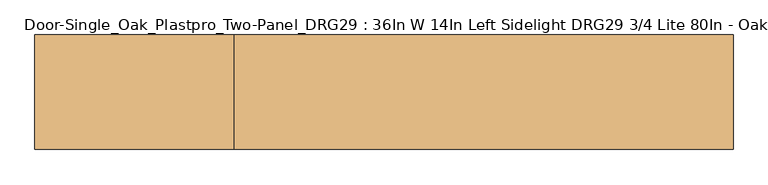
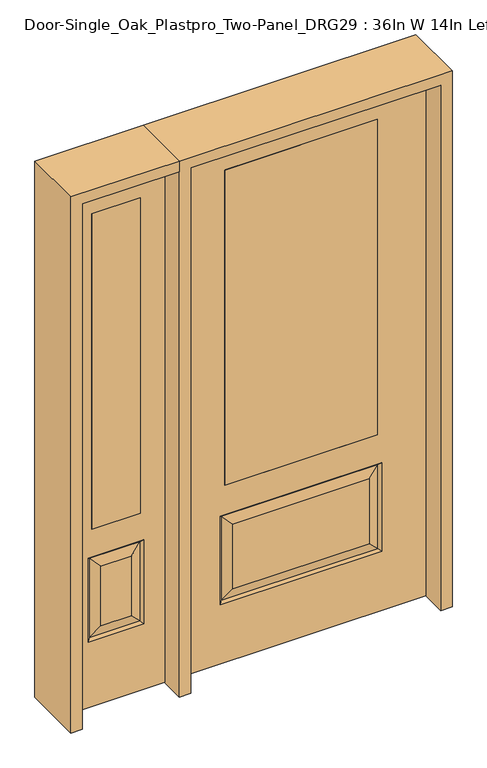
"""IFC4 building model written with IfcOpenShell, lengths in millimetres: door geometry, Door-Single_Oak_Plastpro_Two-Panel_DRG29 : 36In W 14In Left Sidelight DRG29 3/4 Lite 80In - Oak."""

from ifc_helpers import new_model, si_unit, frame, origin, place, context, project, spatial, polyline, outline, extrude, faceted_brep, source, transform, mapped, element, save


def door_single_oak_plastpro_two_panel_drg29_36in_w_14in_left_ed03eb24(model_context):
    return source(origin(), model_context, "Body", "SolidModel", [
        extrude(outline(polyline([(-279.4, -20.6375), (-279.4, 20.6375), (279.4, 20.6375), (279.4, -20.6375), (-279.4, -20.6375)])), frame((0.0, 0.0, 685.8), z_axis=(0.0, 0.0, 1.0), x_axis=(1.0, 0.0, 0.0)), (0.0, 0.0, 1.0), 1219.2),
        faceted_brep([(-249.1224548, -20.6375, 274.7525452), (249.1224548, -20.6375, 274.7525452), (249.1224548, -20.6375, 525.3474548), (-249.1224548, -20.6375, 525.3474548), (457.2, -20.6375, 2032.0), (-457.2, -20.6375, 2032.0), (-457.2, -20.6375, 0.0), (457.2, -20.6375, 0.0), (295.1599548, -20.6375, 228.7150452), (-295.1599548, -20.6375, 228.7150452), (-295.1599548, -20.6375, 571.3849548), (295.1599548, -20.6375, 571.3849548), (-279.4, -20.6375, 1905.0), (279.4, -20.6375, 1905.0), (279.4, -20.6375, 685.8), (-279.4, -20.6375, 685.8), (-279.4, 20.6375, 1905.0), (-279.4, 20.6375, 685.8), (279.4, 20.6375, 685.8), (249.1224548, 20.6375, 274.7525452), (-249.1224548, 20.6375, 274.7525452), (-249.1224548, 20.6375, 525.3474548), (249.1224548, 20.6375, 525.3474548), (-457.2, 20.6375, 2032.0), (457.2, 20.6375, 2032.0), (457.2, 20.6375, 0.0), (-457.2, 20.6375, 0.0), (-295.1599548, 20.6375, 228.7150452), (295.1599548, 20.6375, 228.7150452), (295.1599548, 20.6375, 571.3849548), (-295.1599548, 20.6375, 571.3849548), (279.4, 20.6375, 1905.0), (286.1796986, -11.6572439, 237.6953014), (-286.1796986, -11.6572439, 237.6953014), (-286.1796986, -11.6572439, 562.4046986), (286.1796986, -11.6572439, 562.4046986), (286.1796986, 11.6572439, 237.6953014), (-286.1796986, 11.6572439, 237.6953014), (-286.1796986, 11.6572439, 562.4046986), (286.1796986, 11.6572439, 562.4046986)], [[[0, 1, 2, 3]], [[4, 5, 6, 7], [8, 9, 10, 11], [12, 13, 14, 15]], [[16, 12, 15, 17]], [[17, 15, 14, 18]], [[19, 20, 21, 22]], [[23, 24, 25, 26], [27, 28, 29, 30], [31, 16, 17, 18]], [[13, 31, 18, 14]], [[6, 26, 25, 7]], [[5, 23, 26, 6]], [[24, 4, 7, 25]], [[32, 33, 9, 8]], [[9, 33, 34, 10]], [[10, 34, 35, 11]], [[32, 8, 11, 35]], [[33, 32, 1, 0]], [[1, 32, 35, 2]], [[34, 3, 2, 35]], [[33, 0, 3, 34]], [[36, 37, 20, 19]], [[20, 37, 38, 21]], [[21, 38, 39, 22]], [[36, 19, 22, 39]], [[37, 36, 28, 27]], [[28, 36, 39, 29]], [[38, 30, 29, 39]], [[37, 27, 30, 38]], [[12, 16, 31, 13]], [[5, 4, 24, 23]]]),
        extrude(outline(polyline([(-765.175, -20.6375), (-765.175, 20.6375), (-587.375, 20.6375), (-587.375, -20.6375), (-765.175, -20.6375)])), frame((0.0, 0.0, 685.8), z_axis=(0.0, 0.0, 1.0), x_axis=(1.0, 0.0, 0.0)), (0.0, 0.0, 1.0), 1219.2),
        faceted_brep([(-765.175, -20.6375, 1905.0), (-765.175, 20.6375, 1905.0), (-587.375, 20.6375, 1905.0), (-587.375, -20.6375, 1905.0), (-731.7224548, -20.6375, 531.6974548), (-731.7224548, -20.6375, 300.1525452), (-620.8275452, -20.6375, 300.1525452), (-620.8275452, -20.6375, 531.6974548), (-498.475, -20.6375, 2032.0), (-854.075, -20.6375, 2032.0), (-854.075, -20.6375, 0.0), (-498.475, -20.6375, 0.0), (-777.7599548, -20.6375, 254.1150452), (-777.7599548, -20.6375, 577.7349548), (-574.7900452, -20.6375, 577.7349548), (-574.7900452, -20.6375, 254.1150452), (-587.375, -20.6375, 685.8), (-765.175, -20.6375, 685.8), (-768.7796986, 11.6572439, 568.7546986), (-768.7796986, 11.6572439, 263.0953014), (-777.7599548, 20.6375, 254.1150452), (-777.7599548, 20.6375, 577.7349548), (-574.7900452, 20.6375, 577.7349548), (-583.7703014, 11.6572439, 568.7546986), (-731.7224548, 20.6375, 531.6974548), (-731.7224548, 20.6375, 300.1525452), (-765.175, 20.6375, 685.8), (-587.375, 20.6375, 685.8), (-768.7796986, -11.6572439, 263.0953014), (-583.7703014, -11.6572439, 263.0953014), (-583.7703014, -11.6572439, 568.7546986), (-768.7796986, -11.6572439, 568.7546986), (-498.475, 20.6375, 2032.0), (-854.075, 20.6375, 2032.0), (-498.475, 20.6375, 0.0), (-854.075, 20.6375, 0.0), (-574.7900452, 20.6375, 254.1150452), (-620.8275452, 20.6375, 531.6974548), (-620.8275452, 20.6375, 300.1525452), (-583.7703014, 11.6572439, 263.0953014)], [[[0, 1, 2, 3]], [[4, 5, 6, 7]], [[8, 9, 10, 11], [12, 13, 14, 15], [0, 3, 16, 17]], [[18, 19, 20, 21]], [[18, 21, 22, 23]], [[19, 18, 24, 25]], [[26, 17, 16, 27]], [[5, 28, 29, 6]], [[6, 29, 30, 7]], [[28, 31, 13, 12]], [[32, 33, 9, 8]], [[34, 11, 10, 35]], [[32, 8, 11, 34]], [[9, 33, 35, 10]], [[33, 32, 34, 35], [21, 20, 36, 22], [2, 1, 26, 27]], [[25, 24, 37, 38]], [[20, 19, 39, 36]], [[36, 39, 23, 22]], [[24, 18, 23, 37]], [[39, 38, 37, 23]], [[19, 25, 38, 39]], [[1, 0, 17, 26]], [[3, 2, 27, 16]], [[31, 28, 5, 4]], [[31, 4, 7, 30]], [[13, 31, 30, 14]], [[29, 15, 14, 30]], [[28, 12, 15, 29]]]),
        extrude(outline(polyline([(2032.0, -498.475), (2073.275, -498.475), (2073.275, -895.35), (0.0, -895.35), (0.0, -854.075), (2032.0, -854.075), (2032.0, -498.475)])), frame((0.0, -114.3, 0.0), z_axis=(0.0, 1.0, 0.0), x_axis=(0.0, 0.0, 1.0)), (0.0, 0.0, 1.0), 228.6),
        extrude(outline(polyline([(2073.275, -498.475), (0.0, -498.475), (0.0, -457.2), (2032.0, -457.2), (2032.0, 457.2), (0.0, 457.2), (0.0, 498.475), (2073.275, 498.475), (2073.275, -498.475)])), frame((0.0, -114.3, 0.0), z_axis=(0.0, 1.0, 0.0), x_axis=(0.0, 0.0, 1.0)), (0.0, 0.0, 1.0), 228.6),
    ])


if __name__ == "__main__":
    model = new_model("IFC4")
    model_context = context("Model", 3, world=origin())
    ifc_project = project(units=[si_unit("LENGTHUNIT", "METRE", prefix="MILLI")], contexts=[model_context])
    site = spatial("IfcSite", under=ifc_project)
    building = spatial("IfcBuilding", under=site)
    placement = place(None, origin())
    door_single_oak_plastpro_two_panel_drg29_36in_w_14in_left_shape = door_single_oak_plastpro_two_panel_drg29_36in_w_14in_left_ed03eb24(model_context)
    element("IfcDoor", 1, ObjectType="Door-Single_Oak_Plastpro_Two-Panel_DRG29 : 36In W 14In Left Sidelight DRG29 3/4 Lite 80In - Oak", at=placement, inside=building, context=model_context, shape_type="MappedRepresentation", body=[
        mapped(door_single_oak_plastpro_two_panel_drg29_36in_w_14in_left_shape, transform((0.0, 0.0, 0.0), x_axis=(1.0, 0.0, 0.0), y_axis=(0.0, 1.0, 0.0), z_axis=(0.0, 0.0, 1.0))),
    ])
    save(model, "model.ifc")
